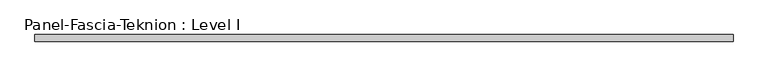
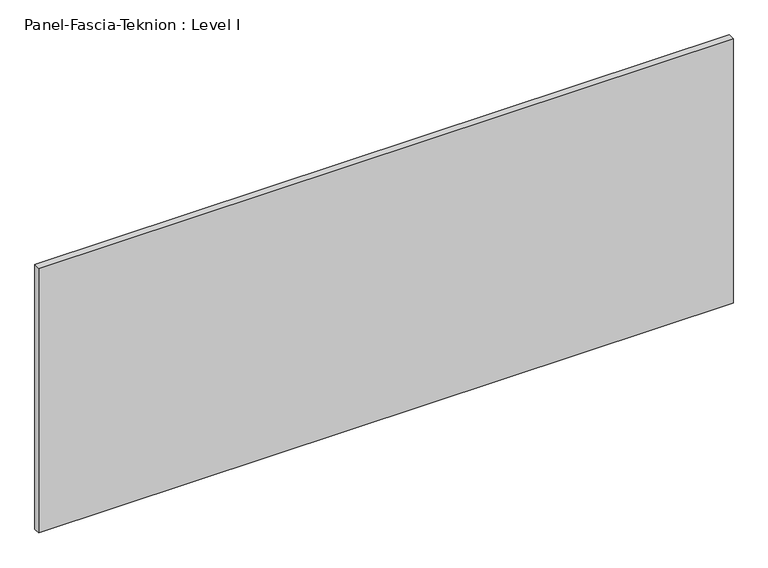
"""IFC4 building model written with IfcOpenShell, lengths in millimetres: proxy geometry, Panel-Fascia-Teknion : Level I."""

import ifcopenshell
import ifcopenshell.guid

model = None  # the IFC model being written
_history = None  # IfcOwnerHistory: only IFC2X3 demands one
_inside = {}  # id of a spatial element -> (the spatial element, [elements in it])
_under = {}  # id of a project, library or spatial element -> (it, [spatial elements below it])
_declared = {}  # id of a project -> (the project, [libraries it declares])
_typed = {}  # id of a type object -> (the type object, [elements of that type])
_made_of = {}  # id of a material, layer set ... -> (it, [elements and type objects made of it])


def new_model(schema):
    """Start an empty IFC model of exactly this schema.

    Asked for "IFC4X3", IfcOpenShell would pick the latest addendum, in which some entities
    have other attributes; the version numbers below select the first issue.
    IFC2X3 requires an IfcOwnerHistory on every rooted entity: one is made here for all.
    """
    global model, _history
    if schema == "IFC4X3":
        model = ifcopenshell.file(schema_version=(4, 3, 0, 0))
    else:
        model = ifcopenshell.file(schema=schema)
    _inside.clear()
    _under.clear()
    _declared.clear()
    _typed.clear()
    _made_of.clear()
    _history = None
    if model.schema == "IFC2X3":
        org = make("IfcOrganization", Name="unknown")
        user = make(
            "IfcPersonAndOrganization",
            ThePerson=make("IfcPerson", FamilyName="unknown"),
            TheOrganization=org,
        )
        app = make(
            "IfcApplication",
            ApplicationDeveloper=org,
            Version="unknown",
            ApplicationFullName="unknown",
            ApplicationIdentifier="unknown",
        )
        _history = make(
            "IfcOwnerHistory",
            OwningUser=user,
            OwningApplication=app,
            ChangeAction="ADDED",
            CreationDate=0,
        )
    return model


def make(cls, **values):
    """One entity of the class cls with the attributes given. An attribute that is None is left unset."""
    return model.create_entity(
        cls, **{name: value for name, value in values.items() if value is not None}
    )


def rooted(cls, **values):
    """An entity with a GlobalId (a new one), such as an element, a storey or a relation."""
    return make(cls, GlobalId=ifcopenshell.guid.new(), OwnerHistory=_history, **values)


def si_unit(unit_type, name, prefix=None):
    """IfcSIUnit, for example si_unit("LENGTHUNIT", "METRE", prefix="MILLI")."""
    return make("IfcSIUnit", UnitType=unit_type, Prefix=prefix, Name=name)


def assignment(units):
    """IfcUnitAssignment: the units of a project."""
    return None if units is None else make("IfcUnitAssignment", Units=units)


def point(xyz):
    """IfcCartesianPoint."""
    return None if xyz is None else make("IfcCartesianPoint", Coordinates=xyz)


def direction(xyz):
    """IfcDirection."""
    return None if xyz is None else make("IfcDirection", DirectionRatios=xyz)


def frame(location, z_axis=None, x_axis=None):
    """IfcAxis2Placement3D, a coordinate frame: its origin and axes. An axis left out is left unset."""
    return make(
        "IfcAxis2Placement3D",
        Location=point(location),
        Axis=direction(z_axis),
        RefDirection=direction(x_axis),
    )


def origin():
    """The frame at (0, 0, 0) with its axes left unset."""
    return frame((0.0, 0.0, 0.0))


def place(relative_to, where):
    """IfcLocalPlacement: puts the frame where relative to a parent placement (None: the world)."""
    return make(
        "IfcLocalPlacement", PlacementRelTo=relative_to, RelativePlacement=where
    )


def context(
    kind, dimensions, precision=None, world=None, true_north=None, identifier=None
):
    """IfcGeometricRepresentationContext, for example the 3D "Model" context."""
    return make(
        "IfcGeometricRepresentationContext",
        ContextIdentifier=identifier,
        ContextType=kind,
        CoordinateSpaceDimension=dimensions,
        Precision=precision,
        WorldCoordinateSystem=world,
        TrueNorth=true_north,
    )


def project(units=None, contexts=None):
    """IfcProject with its units and contexts."""
    return rooted(
        "IfcProject",
        Name="project",
        RepresentationContexts=contexts,
        UnitsInContext=assignment(units),
    )


def spatial(cls, under=None, at=None, **own):
    """A site, building, storey or space (cls), placed at a placement, below another one or the project."""
    s = rooted(cls, ObjectPlacement=at, **own)
    if under is not None:
        _under.setdefault(under.id(), (under, []))[1].append(s)
    return s


def polyline(points):
    """IfcPolyline through the points."""
    return make("IfcPolyline", Points=[point(p) for p in points])


def outline(outer, holes=None, kind="AREA"):
    """IfcArbitraryClosedProfileDef: a profile drawn as a closed curve; with holes, ...WithVoids."""
    if holes is None:
        return make("IfcArbitraryClosedProfileDef", ProfileType=kind, OuterCurve=outer)
    return make(
        "IfcArbitraryProfileDefWithVoids",
        ProfileType=kind,
        OuterCurve=outer,
        InnerCurves=holes,
    )


def extrude(swept, where, along, depth):
    """IfcExtrudedAreaSolid: the profile swept, set in the frame where, extruded along a direction by depth."""
    return make(
        "IfcExtrudedAreaSolid",
        SweptArea=swept,
        Position=where,
        ExtrudedDirection=direction(along),
        Depth=depth,
    )


def shape(context_of_items, identifier, shape_type, items):
    """IfcShapeRepresentation: the items that make up one representation, for example the "Body"."""
    return make(
        "IfcShapeRepresentation",
        ContextOfItems=context_of_items,
        RepresentationIdentifier=identifier,
        RepresentationType=shape_type,
        Items=items,
    )


def source(mapping_origin, context_of_items, identifier, shape_type, items):
    """IfcRepresentationMap: a shape defined once, which mapped items show again and again."""
    return make(
        "IfcRepresentationMap",
        MappingOrigin=mapping_origin,
        MappedRepresentation=shape(context_of_items, identifier, shape_type, items),
    )


def transform(
    local_origin,
    x_axis=None,
    y_axis=None,
    z_axis=None,
    scale=None,
    scale2=None,
    scale3=None,
    uniform=True,
):
    """IfcCartesianTransformationOperator3D, or its non-uniform kind. x_axis, y_axis, z_axis: its Axis1, 2, 3."""
    if uniform:
        return make(
            "IfcCartesianTransformationOperator3D",
            Axis1=direction(x_axis),
            Axis2=direction(y_axis),
            LocalOrigin=point(local_origin),
            Scale=scale,
            Axis3=direction(z_axis),
        )
    return make(
        "IfcCartesianTransformationOperator3DnonUniform",
        Axis1=direction(x_axis),
        Axis2=direction(y_axis),
        LocalOrigin=point(local_origin),
        Scale=scale,
        Axis3=direction(z_axis),
        Scale2=scale2,
        Scale3=scale3,
    )


def mapped(mapping_source, mapping_target):
    """IfcMappedItem: shows the shape of a source again, moved by a transform."""
    return make(
        "IfcMappedItem", MappingSource=mapping_source, MappingTarget=mapping_target
    )


def made_of(thing, what):
    """Note that an element or type object is made of a material, layer set ...; save() writes the relation."""
    if what is not None:
        _made_of.setdefault(what.id(), (what, []))[1].append(thing)
    return thing


def element(
    cls,
    number,
    at=None,
    inside=None,
    cuts=None,
    type_object=None,
    material=None,
    context=None,
    identifier="Body",
    shape_type=None,
    held_by="IfcProductDefinitionShape",
    body=None,
    shapes=None,
    **own,
):
    """One element of the class cls, such as IfcWall. Its Tag is "e" and its number.

    at: its placement. inside: the storey or other place that contains it. cuts: it is an
    opening in that element (IfcRelVoidsElement). A single representation is given by context,
    identifier, shape_type and body (its items); several are given by shapes. held_by: the class
    of the entity that holds the representations. save() writes the other relations.
    """
    e = rooted(cls, Tag="e%d" % number, ObjectPlacement=at, **own)
    if body is not None:
        shapes = [shape(context, identifier, shape_type, body)]
    if shapes is not None:
        e.Representation = make(held_by, Representations=shapes)
    if inside is not None:
        _inside.setdefault(inside.id(), (inside, []))[1].append(e)
    if cuts is not None:
        rooted(
            "IfcRelVoidsElement", RelatingBuildingElement=cuts, RelatedOpeningElement=e
        )
    if type_object is not None:
        _typed.setdefault(type_object.id(), (type_object, []))[1].append(e)
    return made_of(e, material)


def aggregate(whole, parts):
    """IfcRelAggregates: a whole, such as a stair, and the parts it consists of."""
    return rooted("IfcRelAggregates", RelatingObject=whole, RelatedObjects=parts)


def save(model, path):
    """Write the relations noted so far, then the file.

    IfcRelAggregates (storeys below a building ...), IfcRelContainedInSpatialStructure (elements
    in a storey), IfcRelDefinesByType, IfcRelAssociatesMaterial and IfcRelDeclares: one each for
    every whole, place, type object, material and project.
    """
    for whole, parts in _under.values():
        aggregate(whole, parts)
    for where, things in _inside.values():
        rooted(
            "IfcRelContainedInSpatialStructure",
            RelatedElements=things,
            RelatingStructure=where,
        )
    for kind, things in _typed.values():
        rooted("IfcRelDefinesByType", RelatedObjects=things, RelatingType=kind)
    for what, things in _made_of.values():
        rooted("IfcRelAssociatesMaterial", RelatedObjects=things, RelatingMaterial=what)
    for by, libraries in _declared.values():
        rooted("IfcRelDeclares", RelatingContext=by, RelatedDefinitions=libraries)
    model.write(path)


def panel_fascia_teknion_level_i_6b417b37(model_context):
    return source(origin(), model_context, "Body", "SweptSolid", [
        extrude(outline(polyline([(1005.8356344, 9.525), (1005.8356344, -9.525), (-1005.8356344, -9.525), (-1005.8356344, 9.525), (1005.8356344, 9.525)])), frame((0.0, 0.0, 3.175), z_axis=(0.0, 0.0, 1.0), x_axis=(1.0, 0.0, 0.0)), (0.0, 0.0, 1.0), 810.768),
    ])


if __name__ == "__main__":
    model = new_model("IFC4")
    model_context = context("Model", 3, world=origin())
    ifc_project = project(units=[si_unit("LENGTHUNIT", "METRE", prefix="MILLI")], contexts=[model_context])
    site = spatial("IfcSite", under=ifc_project)
    building = spatial("IfcBuilding", under=site)
    placement = place(None, origin())
    panel_fascia_teknion_level_i_shape = panel_fascia_teknion_level_i_6b417b37(model_context)
    element("IfcBuildingElementProxy", 1, Name="Panel-Fascia-Teknion : Level I", ObjectType="Panel-Fascia-Teknion : Level I", at=placement, inside=building, context=model_context, shape_type="MappedRepresentation", body=[
        mapped(panel_fascia_teknion_level_i_shape, transform((0.0, 0.0, 0.0), x_axis=(1.0, 0.0, 0.0), y_axis=(0.0, 1.0, 0.0), z_axis=(0.0, 0.0, 1.0))),
    ])
    save(model, "model.ifc")
